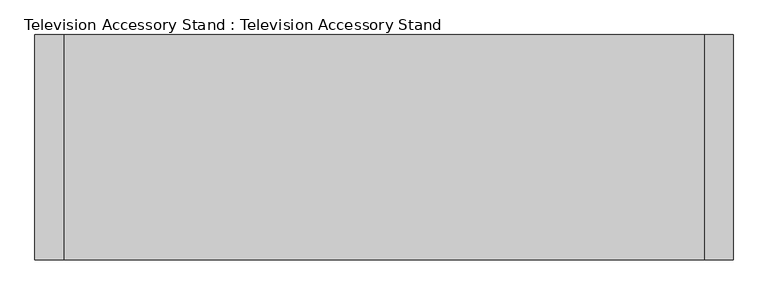
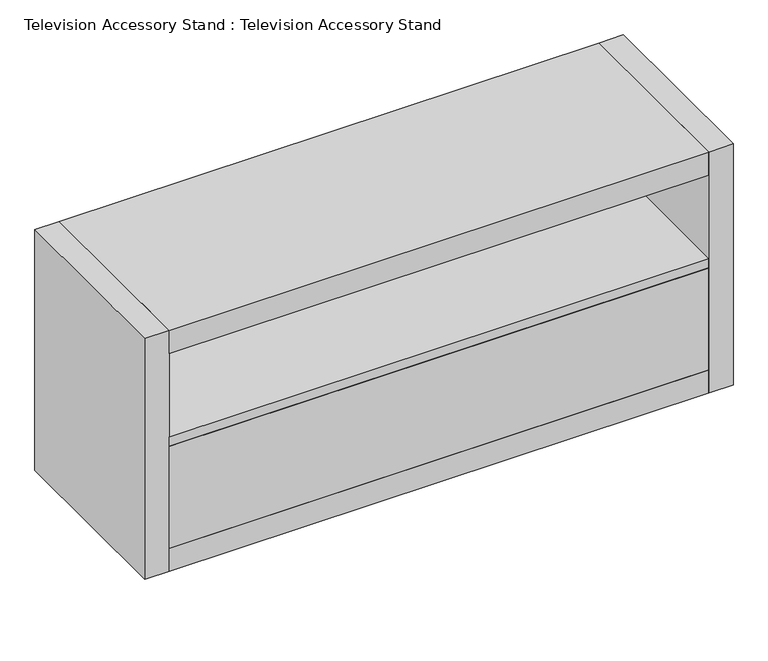
"""IFC4 building model written with IfcOpenShell, lengths in millimetres: furniture geometry, Television Accessory Stand : Television Accessory Stand."""

from ifc_helpers import new_model, si_unit, point, frame, origin, place, context, project, spatial, polyline, circle_curve, ellipse_curve, trimmed, outline, extrude, faceted_brep, source, transform, mapped, element, save
from ifc_brep_helpers import plane_surface, cylinder_surface, revolved_surface, advanced_brep


def television_accessory_stand_television_accessory_stand_85f73597(model_context):
    return source(origin(), model_context, "Body", "SolidModel", [
        advanced_brep(
        [(1109.8892057, -15.4115634, 35.0), (1114.8951086, -47.0175903, 35.0), (1119.9010115, -78.6236172, 35.0), (1106.4568373, -12.9178017, 35.0), (1117.4072498, -82.0559856, 35.0), (1097.5676422, -14.3257119, 35.0), (1108.5180548, -83.4638958, 35.0), (1095.0738806, -17.7580804, 35.0), (1105.0856864, -80.9701341, 35.0), (1100.0797835, -49.3641072, 35.0)],
        [
            (0, 1),
            (1, 2),
            (2, 0, circle_curve(frame((1114.8951086, -47.0175903, 35.0), z_axis=(0.9876883405951365, 0.15643446504023922, 0.0), x_axis=(0.15643446504023922, -0.9876883405951365, 0.0)), 32.0)),
            (0, 2, circle_curve(frame((1114.8951086, -47.0175903, 35.0), z_axis=(0.9876883405951365, 0.15643446504023922, 0.0), x_axis=(0.15643446504023922, -0.9876883405951365, 0.0)), 32.0)),
            (3, 0, circle_curve(frame((1106.9261407, -15.8808668, 35.0), z_axis=(0.0, 0.0, -1.0), x_axis=(-0.9876883405951371, -0.156434465040236, 0.0)), 3.0)),
            (2, 4, circle_curve(frame((1116.9379464, -79.0929206, 35.0), z_axis=(0.0, 0.0, -1.0), x_axis=(-0.987688340595136, -0.15643446504024244, 0.0)), 3.0)),
            (4, 3, circle_curve(frame((1111.9320436, -47.4868937, 35.0), z_axis=(0.9876883405951365, 0.15643446504023922, 0.0), x_axis=(0.15643446504023922, -0.9876883405951365, 0.0)), 35.0)),
            (3, 4, circle_curve(frame((1111.9320436, -47.4868937, 35.0), z_axis=(0.9876883405951365, 0.15643446504023922, 0.0), x_axis=(0.15643446504023922, -0.9876883405951365, 0.0)), 35.0)),
            (5, 3),
            (4, 6),
            (6, 5, circle_curve(frame((1103.0428485, -48.8948039, 35.0), z_axis=(0.9876883405951365, 0.15643446504023922, 0.0), x_axis=(0.15643446504023922, -0.9876883405951365, 0.0)), 35.0)),
            (5, 6, circle_curve(frame((1103.0428485, -48.8948039, 35.0), z_axis=(0.9876883405951365, 0.15643446504023922, 0.0), x_axis=(0.15643446504023922, -0.9876883405951365, 0.0)), 35.0)),
            (7, 5, circle_curve(frame((1098.0369456, -17.288777, 35.0), z_axis=(0.0, 0.0, -1.0), x_axis=(-0.9876883405951371, -0.156434465040236, 0.0)), 3.0)),
            (6, 8, circle_curve(frame((1108.0487514, -80.5008308, 35.0), z_axis=(0.0, 0.0, -1.0), x_axis=(-0.987688340595136, -0.15643446504024244, 0.0)), 3.0)),
            (8, 7, circle_curve(frame((1100.0797835, -49.3641072, 35.0), z_axis=(0.9876883405951365, 0.15643446504023922, 0.0), x_axis=(0.15643446504023922, -0.9876883405951365, 0.0)), 32.0)),
            (7, 8, circle_curve(frame((1100.0797835, -49.3641072, 35.0), z_axis=(0.9876883405951365, 0.15643446504023922, 0.0), x_axis=(0.15643446504023922, -0.9876883405951365, 0.0)), 32.0)),
            (9, 7),
            (8, 9),
        ],
        [
            plane_surface(frame((1114.8951086, -47.0175903, 35.0), z_axis=(0.9876883405951365, 0.15643446504023922, 0.0), x_axis=(0.15643446504023922, -0.9876883405951365, 0.0))),
            revolved_surface(trimmed(ellipse_curve(frame((1116.9379464, -79.0929206, 35.0), z_axis=(0.0, 0.0, -1.0), x_axis=(-0.987688340595136, -0.15643446504024244, 0.0)), 3.0, 3.0), [point((1119.9010115, -78.6236172, 35.0))], [point((1117.4072498, -82.0559856, 35.0))], True, "CARTESIAN"), (1100.0797835, -49.3641072, 35.0), (-0.9876883405951365, -0.15643446504023922, 0.0)),
            cylinder_surface(frame((1100.0797835, -49.3641072, 35.0), z_axis=(-0.9876883405951365, -0.15643446504023922, 0.0), x_axis=(0.15643446504023922, -0.9876883405951365, 0.0)), 35.0),
            revolved_surface(trimmed(ellipse_curve(frame((1108.0487514, -80.5008308, 35.0), z_axis=(0.0, 0.0, -1.0), x_axis=(-0.987688340595136, -0.15643446504024244, 0.0)), 3.0, 3.0), [point((1108.5180548, -83.4638958, 35.0))], [point((1105.0856864, -80.9701341, 35.0))], True, "CARTESIAN"), (1100.0797835, -49.3641072, 35.0), (-0.9876883405951365, -0.15643446504023922, 0.0)),
            plane_surface(frame((1100.0797835, -49.3641072, 35.0), z_axis=(-0.9876883405951365, -0.15643446504023922, 0.0), x_axis=(0.15643446504023922, -0.9876883405951365, 0.0))),
        ],
        [
            (0, [[1, 2, 3]]),
            (0, [[-2, -1, 4]]),
            (1, [[5, -3, 6, 7]]),
            (1, [[-6, -4, -5, 8]]),
            (2, [[9, -7, 10, 11]]),
            (2, [[-10, -8, -9, 12]]),
            (3, [[13, -11, 14, 15]]),
            (3, [[-14, -12, -13, 16]]),
            (4, [[17, -15, 18]]),
            (4, [[-18, -16, -17]]),
        ],
    ),
        advanced_brep(
        [(1113.2724926, -23.9878895, 35.0), (1116.8704853, -46.7047213, 35.0), (1120.468478, -69.4215532, 35.0), (1110.984247, -22.3253818, 35.0), (1118.8059702, -71.7097988, 35.0), (1114.8951086, -47.0175903, 35.0)],
        [
            (0, 1),
            (1, 2),
            (2, 0, circle_curve(frame((1116.8704853, -46.7047213, 35.0), z_axis=(0.9876883405951365, 0.15643446504023922, 0.0), x_axis=(0.15643446504023922, -0.9876883405951365, 0.0)), 23.0)),
            (0, 2, circle_curve(frame((1116.8704853, -46.7047213, 35.0), z_axis=(0.9876883405951365, 0.15643446504023922, 0.0), x_axis=(0.15643446504023922, -0.9876883405951365, 0.0)), 23.0)),
            (3, 0, circle_curve(frame((1111.2971159, -24.3007584, 35.0), z_axis=(0.0, 0.0, -1.0), x_axis=(-0.9876883405951358, -0.15643446504024436, 0.0)), 2.0)),
            (2, 4, circle_curve(frame((1118.4931013, -69.7344221, 35.0), z_axis=(0.0, 0.0, -1.0), x_axis=(-0.9876883405951373, -0.1564344650402341, 0.0)), 2.0)),
            (4, 3, circle_curve(frame((1114.8951086, -47.0175903, 35.0), z_axis=(0.9876883405951365, 0.15643446504023922, 0.0), x_axis=(0.15643446504023922, -0.9876883405951365, 0.0)), 25.0)),
            (3, 4, circle_curve(frame((1114.8951086, -47.0175903, 35.0), z_axis=(0.9876883405951365, 0.15643446504023922, 0.0), x_axis=(0.15643446504023922, -0.9876883405951365, 0.0)), 25.0)),
            (5, 3),
            (4, 5),
        ],
        [
            plane_surface(frame((1116.8704853, -46.7047213, 35.0), z_axis=(0.9876883405951365, 0.15643446504023922, 0.0), x_axis=(0.15643446504023922, -0.9876883405951365, 0.0))),
            revolved_surface(trimmed(ellipse_curve(frame((1118.4931013, -69.7344221, 35.0), z_axis=(0.0, 0.0, -1.0), x_axis=(-0.9876883405951373, -0.1564344650402341, 0.0)), 2.0, 2.0), [point((1120.468478, -69.4215532, 35.0))], [point((1118.8059702, -71.7097988, 35.0))], True, "CARTESIAN"), (1114.8951086, -47.0175903, 35.0), (-0.9876883405951365, -0.15643446504023922, 0.0)),
            plane_surface(frame((1114.8951086, -47.0175903, 35.0), z_axis=(-0.9876883405951365, -0.15643446504023922, 0.0), x_axis=(0.15643446504023922, -0.9876883405951365, 0.0))),
        ],
        [
            (0, [[1, 2, 3]]),
            (0, [[-2, -1, 4]]),
            (1, [[5, -3, 6, 7]]),
            (1, [[-6, -4, -5, 8]]),
            (2, [[9, -7, 10]]),
            (2, [[-10, -8, -9]]),
        ],
    ),
        advanced_brep(
        [(1079.2708671, -20.2610318, 35.0), (1084.27677, -51.8670587, 35.0), (1089.2826729, -83.4730856, 35.0), (1075.8384987, -17.7672702, 35.0), (1086.7889113, -86.905454, 35.0), (1066.9493037, -19.1751804, 35.0), (1077.8997162, -88.3133642, 35.0), (1064.455542, -22.6075488, 35.0), (1074.4673478, -85.8196026, 35.0), (1069.4614449, -54.2135757, 35.0)],
        [
            (0, 1),
            (1, 2),
            (2, 0, circle_curve(frame((1084.27677, -51.8670587, 35.0), z_axis=(0.9876883405951354, 0.15643446504024566, 0.0), x_axis=(0.15643446504024566, -0.9876883405951354, 0.0)), 32.0)),
            (0, 2, circle_curve(frame((1084.27677, -51.8670587, 35.0), z_axis=(0.9876883405951354, 0.15643446504024566, 0.0), x_axis=(0.15643446504024566, -0.9876883405951354, 0.0)), 32.0)),
            (3, 0, circle_curve(frame((1076.3078021, -20.7303352, 35.0), z_axis=(0.0, 0.0, -1.0), x_axis=(0.9876883405951349, 0.15643446504024888, 0.0)), 3.0)),
            (2, 4, circle_curve(frame((1086.3196079, -83.942389, 35.0), z_axis=(0.0, 0.0, -1.0), x_axis=(0.987688340595136, 0.15643446504024244, 0.0)), 3.0)),
            (4, 3, circle_curve(frame((1081.313705, -52.3363621, 35.0), z_axis=(0.9876883405951354, 0.15643446504024566, 0.0), x_axis=(0.15643446504024566, -0.9876883405951354, 0.0)), 35.0)),
            (3, 4, circle_curve(frame((1081.313705, -52.3363621, 35.0), z_axis=(0.9876883405951354, 0.15643446504024566, 0.0), x_axis=(0.15643446504024566, -0.9876883405951354, 0.0)), 35.0)),
            (5, 3),
            (4, 6),
            (6, 5, circle_curve(frame((1072.4245099, -53.7442723, 35.0), z_axis=(0.9876883405951354, 0.15643446504024566, 0.0), x_axis=(0.15643446504024566, -0.9876883405951354, 0.0)), 35.0)),
            (5, 6, circle_curve(frame((1072.4245099, -53.7442723, 35.0), z_axis=(0.9876883405951354, 0.15643446504024566, 0.0), x_axis=(0.15643446504024566, -0.9876883405951354, 0.0)), 35.0)),
            (7, 5, circle_curve(frame((1067.4186071, -22.1382454, 35.0), z_axis=(0.0, 0.0, -1.0), x_axis=(0.9876883405951349, 0.15643446504024888, 0.0)), 3.0)),
            (6, 8, circle_curve(frame((1077.4304128, -85.3502992, 35.0), z_axis=(0.0, 0.0, -1.0), x_axis=(0.987688340595136, 0.15643446504024244, 0.0)), 3.0)),
            (8, 7, circle_curve(frame((1069.4614449, -54.2135757, 35.0), z_axis=(0.9876883405951354, 0.15643446504024566, 0.0), x_axis=(0.15643446504024566, -0.9876883405951354, 0.0)), 32.0)),
            (7, 8, circle_curve(frame((1069.4614449, -54.2135757, 35.0), z_axis=(0.9876883405951354, 0.15643446504024566, 0.0), x_axis=(0.15643446504024566, -0.9876883405951354, 0.0)), 32.0)),
            (9, 7),
            (8, 9),
        ],
        [
            plane_surface(frame((1084.27677, -51.8670587, 35.0), z_axis=(0.9876883405951354, 0.15643446504024566, 0.0), x_axis=(0.15643446504024566, -0.9876883405951354, 0.0))),
            revolved_surface(trimmed(ellipse_curve(frame((1086.3196079, -83.942389, 35.0), z_axis=(0.0, 0.0, -1.0), x_axis=(0.987688340595136, 0.15643446504024244, 0.0)), 3.0, 3.0), [point((1089.2826729, -83.4730856, 35.0))], [point((1086.7889113, -86.905454, 35.0))], True, "CARTESIAN"), (1084.27677, -51.8670587, 35.0), (-0.9876883405951354, -0.15643446504024566, 0.0)),
            cylinder_surface(frame((1084.27677, -51.8670587, 35.0), z_axis=(-0.9876883405951354, -0.15643446504024566, 0.0), x_axis=(0.15643446504024566, -0.9876883405951354, 0.0)), 35.0),
            revolved_surface(trimmed(ellipse_curve(frame((1077.4304128, -85.3502992, 35.0), z_axis=(0.0, 0.0, -1.0), x_axis=(0.987688340595136, 0.15643446504024244, 0.0)), 3.0, 3.0), [point((1077.8997162, -88.3133642, 35.0))], [point((1074.4673478, -85.8196026, 35.0))], True, "CARTESIAN"), (1084.27677, -51.8670587, 35.0), (-0.9876883405951354, -0.15643446504024566, 0.0)),
            plane_surface(frame((1069.4614449, -54.2135757, 35.0), z_axis=(-0.9876883405951354, -0.15643446504024566, 0.0), x_axis=(0.15643446504024566, -0.9876883405951354, 0.0))),
        ],
        [
            (0, [[1, 2, 3]]),
            (0, [[-2, -1, 4]]),
            (1, [[5, -3, 6, 7]]),
            (1, [[-6, -4, -5, 8]]),
            (2, [[9, -7, 10, 11]]),
            (2, [[-10, -8, -9, 12]]),
            (3, [[13, -11, 14, 15]]),
            (3, [[-14, -12, -13, 16]]),
            (4, [[17, -15, 18]]),
            (4, [[-18, -16, -17]]),
        ],
    ),
        advanced_brep(
        [(1065.5505833, -29.5213672, 35.0), (1069.4614449, -54.2135757, 35.0), (1073.3723065, -78.9057842, 35.0), (1063.8880755, -31.8096128, 35.0), (1071.0840609, -77.2432764, 35.0), (1067.4860682, -54.5264446, 35.0)],
        [
            (0, 1),
            (1, 2),
            (2, 0, circle_curve(frame((1069.4614449, -54.2135757, 35.0), z_axis=(0.9876883405951354, 0.15643446504024566, 0.0), x_axis=(0.15643446504024566, -0.9876883405951354, 0.0)), 25.0)),
            (0, 2, circle_curve(frame((1069.4614449, -54.2135757, 35.0), z_axis=(0.9876883405951354, 0.15643446504024566, 0.0), x_axis=(0.15643446504024566, -0.9876883405951354, 0.0)), 25.0)),
            (3, 0, circle_curve(frame((1065.8634522, -31.4967438, 35.0), z_axis=(0.0, 0.0, -1.0), x_axis=(0.9876883405951362, 0.15643446504024053, 0.0)), 2.0)),
            (2, 4, circle_curve(frame((1073.0594376, -76.9304075, 35.0), z_axis=(0.0, 0.0, -1.0), x_axis=(0.9876883405951347, 0.1564344650402508, 0.0)), 2.0)),
            (4, 3, circle_curve(frame((1067.4860682, -54.5264446, 35.0), z_axis=(0.9876883405951354, 0.15643446504024566, 0.0), x_axis=(0.15643446504024566, -0.9876883405951354, 0.0)), 23.0)),
            (3, 4, circle_curve(frame((1067.4860682, -54.5264446, 35.0), z_axis=(0.9876883405951354, 0.15643446504024566, 0.0), x_axis=(0.15643446504024566, -0.9876883405951354, 0.0)), 23.0)),
            (5, 3),
            (4, 5),
        ],
        [
            plane_surface(frame((1069.4614449, -54.2135757, 35.0), z_axis=(0.9876883405951354, 0.15643446504024566, 0.0), x_axis=(0.15643446504024566, -0.9876883405951354, 0.0))),
            revolved_surface(trimmed(ellipse_curve(frame((1073.0594376, -76.9304075, 35.0), z_axis=(0.0, 0.0, -1.0), x_axis=(0.9876883405951347, 0.1564344650402508, 0.0)), 2.0, 2.0), [point((1073.3723065, -78.9057842, 35.0))], [point((1071.0840609, -77.2432764, 35.0))], True, "CARTESIAN"), (1069.4614449, -54.2135757, 35.0), (-0.9876883405951354, -0.15643446504024566, 0.0)),
            plane_surface(frame((1067.4860682, -54.5264446, 35.0), z_axis=(-0.9876883405951354, -0.15643446504024566, 0.0), x_axis=(0.15643446504024566, -0.9876883405951354, 0.0))),
        ],
        [
            (0, [[1, 2, 3]]),
            (0, [[-2, -1, 4]]),
            (1, [[5, -3, 6, 7]]),
            (1, [[-6, -4, -5, 8]]),
            (2, [[9, -7, 10]]),
            (2, [[-10, -8, -9]]),
        ],
    ),
        advanced_brep(
        [(580.0, -80.0, 570.0), (620.0, -80.0, 570.0), (580.0, -80.0, 567.0), (620.0, -80.0, 567.0), (592.0, -80.0, 567.0), (608.0, -80.0, 567.0), (608.0, -80.0, 393.0), (592.0, -80.0, 393.0), (580.0, -80.0, 393.0), (620.0, -80.0, 393.0), (580.0, -80.0, 390.0), (620.0, -80.0, 390.0)],
        [
            (0, 1, circle_curve(frame((600.0, -80.0, 570.0), z_axis=(0.0, 0.0, 1.0), x_axis=(1.0, 0.0, 0.0)), 20.0)),
            (1, 0, circle_curve(frame((600.0, -80.0, 570.0), z_axis=(0.0, 0.0, 1.0), x_axis=(1.0, 0.0, 0.0)), 20.0)),
            (2, 3, circle_curve(frame((600.0, -80.0, 567.0), z_axis=(0.0, 0.0, -1.0), x_axis=(1.0, 0.0, 0.0)), 20.0)),
            (3, 2, circle_curve(frame((600.0, -80.0, 567.0), z_axis=(0.0, 0.0, -1.0), x_axis=(1.0, 0.0, 0.0)), 20.0)),
            (4, 5, circle_curve(frame((600.0, -80.0, 567.0), z_axis=(0.0, 0.0, 1.0), x_axis=(1.0, 0.0, 0.0)), 8.0)),
            (5, 4, circle_curve(frame((600.0, -80.0, 567.0), z_axis=(0.0, 0.0, 1.0), x_axis=(1.0, 0.0, 0.0)), 8.0)),
            (1, 3),
            (2, 0),
            (5, 6),
            (6, 7, circle_curve(frame((600.0, -80.0, 393.0), z_axis=(0.0, 0.0, 1.0), x_axis=(1.0, 0.0, 0.0)), 8.0)),
            (7, 4),
            (7, 6, circle_curve(frame((600.0, -80.0, 393.0), z_axis=(0.0, 0.0, 1.0), x_axis=(1.0, 0.0, 0.0)), 8.0)),
            (8, 9, circle_curve(frame((600.0, -80.0, 393.0), z_axis=(0.0, 0.0, 1.0), x_axis=(1.0, 0.0, 0.0)), 20.0)),
            (9, 8, circle_curve(frame((600.0, -80.0, 393.0), z_axis=(0.0, 0.0, 1.0), x_axis=(1.0, 0.0, 0.0)), 20.0)),
            (10, 11, circle_curve(frame((600.0, -80.0, 390.0), z_axis=(0.0, 0.0, -1.0), x_axis=(1.0, 0.0, 0.0)), 20.0)),
            (11, 10, circle_curve(frame((600.0, -80.0, 390.0), z_axis=(0.0, 0.0, -1.0), x_axis=(1.0, 0.0, 0.0)), 20.0)),
            (9, 11),
            (10, 8),
        ],
        [
            plane_surface(frame((620.0, -80.0, 570.0), z_axis=(0.0, 0.0, 1.0), x_axis=(0.0, -1.0, 0.0))),
            plane_surface(frame((620.0, -80.0, 567.0), z_axis=(0.0, 0.0, -1.0), x_axis=(0.0, 1.0, 0.0))),
            cylinder_surface(frame((600.0, -80.0, 567.0), z_axis=(0.0, 0.0, 1.0), x_axis=(1.0, 0.0, 0.0)), 20.0),
            cylinder_surface(frame((600.0, -80.0, 393.0), z_axis=(0.0, 0.0, 1.0), x_axis=(1.0, 0.0, 0.0)), 8.0),
            plane_surface(frame((620.0, -80.0, 393.0), z_axis=(0.0, 0.0, 1.0), x_axis=(0.0, -1.0, 0.0))),
            plane_surface(frame((620.0, -80.0, 390.0), z_axis=(0.0, 0.0, -1.0), x_axis=(0.0, 1.0, 0.0))),
            cylinder_surface(frame((600.0, -80.0, 390.0), z_axis=(0.0, 0.0, 1.0), x_axis=(1.0, 0.0, 0.0)), 20.0),
        ],
        [
            (0, [[1, 2]]),
            (1, [[3, 4], [5, 6]]),
            (2, [[7, -3, 8, -2]]),
            (2, [[-8, -4, -7, -1]]),
            (3, [[-6, 9, 10, 11]]),
            (3, [[12, -9, -5, -11]]),
            (4, [[13, 14], [-12, -10]]),
            (5, [[15, 16]]),
            (6, [[17, -15, 18, -14]]),
            (6, [[-18, -16, -17, -13]]),
        ],
    ),
        faceted_brep([(276.0, -20.0, 326.0), (376.0, -20.0, 326.0), (376.0, -20.0, 366.0), (276.0, -20.0, 366.0), (371.0, -15.0, 366.0), (371.0, -15.0, 331.0), (281.0, -15.0, 331.0), (281.0, -15.0, 366.0), (276.0, 0.0, 366.0), (276.0, 0.0, 326.0), (376.0, 0.0, 366.0), (366.0, 0.0, 366.0), (366.0, -5.0, 366.0), (371.0, -5.0, 366.0), (281.0, -5.0, 366.0), (286.0, -5.0, 366.0), (286.0, 0.0, 366.0), (376.0, 0.0, 326.0), (281.0, -5.0, 331.0), (371.0, -5.0, 331.0), (366.0, -5.0, 336.0), (286.0, -5.0, 336.0), (286.0, 0.0, 336.0), (366.0, 0.0, 336.0)], [[[0, 1, 2, 3]], [[4, 5, 6, 7]], [[3, 8, 9, 0]], [[2, 10, 11, 12, 13, 4, 7, 14, 15, 16, 8, 3]], [[1, 17, 10, 2]], [[9, 17, 1, 0]], [[7, 6, 18, 14]], [[6, 5, 19, 18]], [[5, 4, 13, 19]], [[15, 14, 18, 19, 13, 12, 20, 21]], [[9, 8, 16, 22, 23, 11, 10, 17]], [[21, 22, 16, 15]], [[20, 23, 22, 21]], [[12, 11, 23, 20]]]),
        faceted_brep([(824.0, -20.0, 326.0), (924.0, -20.0, 326.0), (924.0, -20.0, 366.0), (824.0, -20.0, 366.0), (919.0, -15.0, 366.0), (919.0, -15.0, 331.0), (829.0, -15.0, 331.0), (829.0, -15.0, 366.0), (824.0, 0.0, 366.0), (824.0, 0.0, 326.0), (924.0, 0.0, 366.0), (914.0, 0.0, 366.0), (914.0, -5.0, 366.0), (919.0, -5.0, 366.0), (829.0, -5.0, 366.0), (834.0, -5.0, 366.0), (834.0, 0.0, 366.0), (924.0, 0.0, 326.0), (829.0, -5.0, 331.0), (919.0, -5.0, 331.0), (914.0, -5.0, 336.0), (834.0, -5.0, 336.0), (834.0, 0.0, 336.0), (914.0, 0.0, 336.0)], [[[0, 1, 2, 3]], [[4, 5, 6, 7]], [[3, 8, 9, 0]], [[2, 10, 11, 12, 13, 4, 7, 14, 15, 16, 8, 3]], [[1, 17, 10, 2]], [[9, 17, 1, 0]], [[7, 6, 18, 14]], [[6, 5, 19, 18]], [[5, 4, 13, 19]], [[15, 14, 18, 19, 13, 12, 20, 21]], [[9, 8, 16, 22, 23, 11, 10, 17]], [[21, 22, 16, 15]], [[20, 23, 22, 21]], [[12, 11, 23, 20]]]),
        extrude(outline(polyline([(366.0, 54.0), (154.0, 54.0), (154.0, 598.0), (366.0, 598.0), (366.0, 376.0), (326.0, 376.0), (326.0, 276.0), (366.0, 276.0), (366.0, 54.0)])), frame((0.0, -20.0, 0.0), z_axis=(0.0, 1.0, 0.0), x_axis=(0.0, 0.0, 1.0)), (0.0, 0.0, 1.0), 20.0),
        extrude(outline(polyline([(366.0, 1146.0), (366.0, 924.0), (326.0, 924.0), (326.0, 824.0), (366.0, 824.0), (366.0, 602.0), (154.0, 602.0), (154.0, 1146.0), (366.0, 1146.0)])), frame((0.0, -20.0, 0.0), z_axis=(0.0, 1.0, 0.0), x_axis=(0.0, 0.0, 1.0)), (0.0, 0.0, 1.0), 20.0),
        extrude(outline(polyline([(50.0, -387.6), (50.0, -367.6), (1150.0, -367.6), (1150.0, -387.6), (50.0, -387.6)])), frame((0.0, 0.0, 150.0), z_axis=(0.0, 0.0, 1.0), x_axis=(1.0, 0.0, 0.0)), (0.0, 0.0, 1.0), 220.0),
        extrude(outline(polyline([(50.0, 0.0), (1150.0, 0.0), (1150.0, -387.6), (50.0, -387.6), (50.0, 0.0)])), frame((0.0, 0.0, 370.0), z_axis=(0.0, 0.0, 1.0), x_axis=(1.0, 0.0, 0.0)), (0.0, 0.0, 1.0), 20.0),
        extrude(outline(polyline([(610.0, -367.6), (590.0, -367.6), (590.0, -20.0), (610.0, -20.0), (610.0, -367.6)])), frame((0.0, 0.0, 150.0), z_axis=(0.0, 0.0, 1.0), x_axis=(1.0, 0.0, 0.0)), (0.0, 0.0, 1.0), 220.0),
        extrude(outline(polyline([(50.0, 0.0), (1150.0, 0.0), (1150.0, -387.6), (50.0, -387.6), (50.0, 0.0)])), frame((0.0, 0.0, 100.0), z_axis=(0.0, 0.0, 1.0), x_axis=(1.0, 0.0, 0.0)), (0.0, 0.0, 1.0), 50.0),
        extrude(outline(polyline([(1150.0, 0.0), (1150.0, -387.6), (50.0, -387.6), (50.0, 0.0), (1150.0, 0.0)])), frame((0.0, 0.0, 570.0), z_axis=(0.0, 0.0, 1.0), x_axis=(1.0, 0.0, 0.0)), (0.0, 0.0, 1.0), 50.0),
        extrude(outline(polyline([(1150.0, 0.0), (1200.0, 0.0), (1200.0, -387.6), (1150.0, -387.6), (1150.0, 0.0)])), frame((0.0, 0.0, 100.0), z_axis=(0.0, 0.0, 1.0), x_axis=(1.0, 0.0, 0.0)), (0.0, 0.0, 1.0), 520.0),
        extrude(outline(polyline([(50.0, -387.6), (0.0, -387.6), (0.0, 0.0), (50.0, 0.0), (50.0, -387.6)])), frame((0.0, 0.0, 100.0), z_axis=(0.0, 0.0, 1.0), x_axis=(1.0, 0.0, 0.0)), (0.0, 0.0, 1.0), 520.0),
    ])


if __name__ == "__main__":
    model = new_model("IFC4")
    model_context = context("Model", 3, world=origin())
    ifc_project = project(units=[si_unit("LENGTHUNIT", "METRE", prefix="MILLI")], contexts=[model_context])
    site = spatial("IfcSite", under=ifc_project)
    building = spatial("IfcBuilding", under=site)
    placement = place(None, origin())
    television_accessory_stand_television_accessory_stand_shape = television_accessory_stand_television_accessory_stand_85f73597(model_context)
    element("IfcFurniture", 1, ObjectType="Television Accessory Stand : Television Accessory Stand", at=placement, inside=building, context=model_context, shape_type="MappedRepresentation", body=[
        mapped(television_accessory_stand_television_accessory_stand_shape, transform((0.0, 0.0, 0.0), x_axis=(1.0, 0.0, 0.0), y_axis=(0.0, 1.0, 0.0), z_axis=(0.0, 0.0, 1.0))),
    ])
    save(model, "model.ifc")
